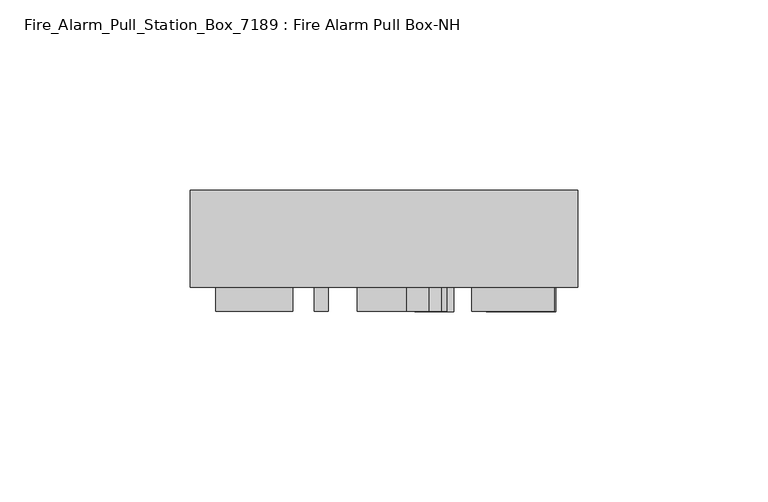
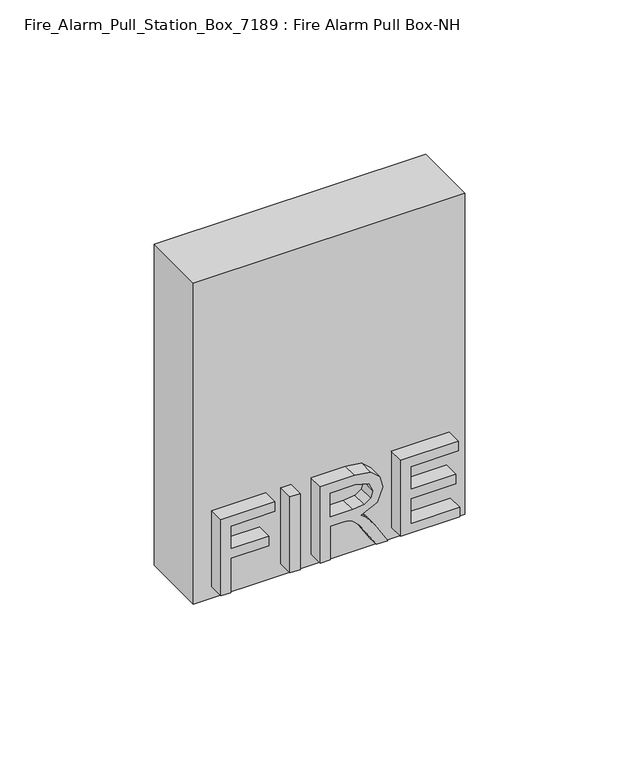
"""IFC4 building model written with IfcOpenShell, lengths in millimetres: alarm geometry, Fire_Alarm_Pull_Station_Box_7189 : Fire Alarm Pull Box-NH."""

from ifc_helpers import new_model, si_unit, frame, origin, place, context, project, spatial, polyline, outline, extrude, source, transform, mapped, element, save


def fire_alarm_pull_station_box_7189_fire_alarm_pull_box_nh_6c8c0233(model_context):
    return source(origin(), model_context, "Body", "SweptSolid", [
        extrude(outline(polyline([(50.8, -25.4), (-50.8, -25.4), (-50.8, 0.0), (50.8, 0.0), (50.8, -25.4)])), frame((0.0, 0.0, 1092.2), z_axis=(0.0, 0.0, 1.0), x_axis=(1.0, 0.0, 0.0)), (0.0, 0.0, 1.0), 127.0),
        extrude(outline(polyline([(1096.9625, -44.1935577), (1096.9625, -40.4324038), (1110.5966827, -40.4324038), (1110.5966827, -26.3280769), (1114.3578365, -26.3280769), (1114.3578365, -40.4324038), (1123.2905769, -40.4324038), (1123.2905769, -23.9773558), (1127.0517308, -23.9773558), (1127.0517308, -44.1935577), (1096.9625, -44.1935577)])), frame((0.0, -31.75, 0.0), z_axis=(0.0, 1.0, 0.0), x_axis=(0.0, 0.0, 1.0)), (0.0, 0.0, 1.0), 6.35),
        extrude(outline(polyline([(-14.5744712, -31.75), (-18.335625, -31.75), (-18.335625, -25.4), (-14.5744712, -25.4), (-14.5744712, -31.75)])), frame((0.0, 0.0, 1096.9625), z_axis=(0.0, 0.0, 1.0), x_axis=(1.0, 0.0, 0.0)), (0.0, 0.0, 1.0), 30.0892308),
        extrude(outline(polyline([(1096.9625, -7.0521635), (1096.9625, -3.2910096), (1110.1265385, -3.2910096), (1110.1265385, 1.2488206), (1109.9943104, 3.4305837), (1109.278075, 5.2193356), (1107.3277111, 7.2064295), (1103.1992571, 10.0346409), (1096.9625, 13.9500608), (1096.9625, 18.320933), (1105.116564, 13.3036125), (1108.9879079, 10.255021), (1110.5966827, 8.117334), (1113.3955101, 14.4165321), (1118.8168607, 16.4550481), (1123.36771, 15.2245925), (1126.2399974, 11.9335829), (1127.0517308, 5.9135329), (1127.0517308, -7.0521635), (1096.9625, -7.0521635)]), holes=[polyline([(1113.8876923, -3.2910096), (1123.2905769, -3.2910096), (1123.2905769, 6.075145), (1121.9903343, 11.1034845), (1118.6772867, 12.6938942), (1116.1245504, 11.8601228), (1114.4202776, 9.4212496), (1113.8876923, 5.1275105), (1113.8876923, -3.2910096)])]), frame((0.0, -31.75, 0.0), z_axis=(0.0, 1.0, 0.0), x_axis=(0.0, 0.0, 1.0)), (0.0, 0.0, 1.0), 6.35),
        extrude(outline(polyline([(1096.9625, 23.0370673), (1096.9625, 45.1338462), (1100.7236538, 45.1338462), (1100.7236538, 26.7982212), (1110.5966827, 26.7982212), (1110.5966827, 43.7234135), (1114.3578365, 43.7234135), (1114.3578365, 26.7982212), (1123.2905769, 26.7982212), (1123.2905769, 44.6637019), (1127.0517308, 44.6637019), (1127.0517308, 23.0370673), (1096.9625, 23.0370673)])), frame((0.0, -31.75, 0.0), z_axis=(0.0, 1.0, 0.0), x_axis=(0.0, 0.0, 1.0)), (0.0, 0.0, 1.0), 6.35),
    ])


if __name__ == "__main__":
    model = new_model("IFC4")
    model_context = context("Model", 3, world=origin())
    ifc_project = project(units=[si_unit("LENGTHUNIT", "METRE", prefix="MILLI")], contexts=[model_context])
    site = spatial("IfcSite", under=ifc_project)
    building = spatial("IfcBuilding", under=site)
    placement = place(None, origin())
    fire_alarm_pull_station_box_7189_fire_alarm_pull_box_nh_shape = fire_alarm_pull_station_box_7189_fire_alarm_pull_box_nh_6c8c0233(model_context)
    element("IfcAlarm", 1, ObjectType="Fire_Alarm_Pull_Station_Box_7189 : Fire Alarm Pull Box-NH", at=placement, inside=building, context=model_context, shape_type="MappedRepresentation", body=[
        mapped(fire_alarm_pull_station_box_7189_fire_alarm_pull_box_nh_shape, transform((0.0, 0.0, 0.0), x_axis=(1.0, 0.0, 0.0), y_axis=(0.0, 1.0, 0.0), z_axis=(0.0, 0.0, 1.0))),
    ])
    save(model, "model.ifc")
